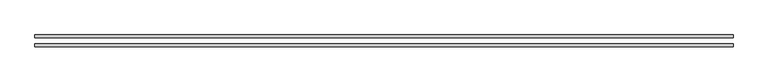
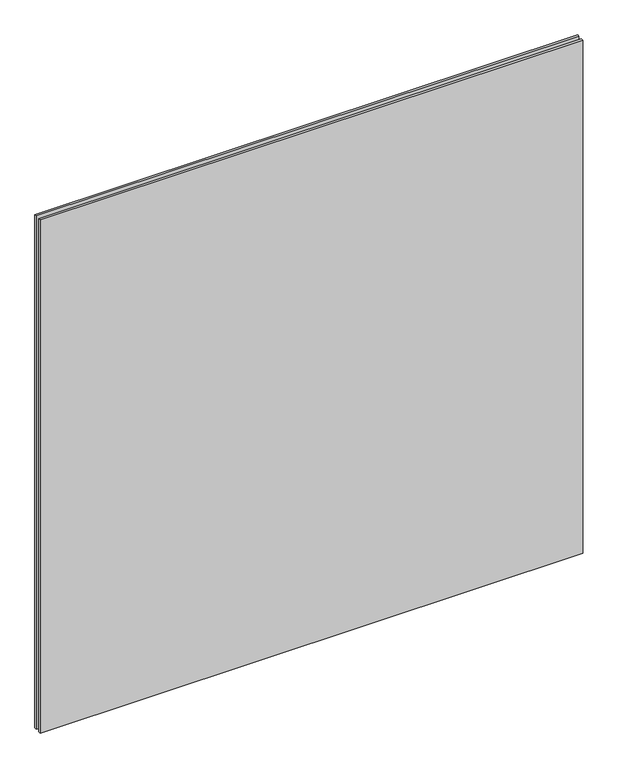
"""IFC4 building model written with IfcOpenShell, lengths in millimetres: plate geometry."""

from ifc_helpers import new_model, si_unit, origin, origin_with_axes, place, context, project, spatial, polyline, outline, extrude, source, transform, mapped, element, save


def plate_8fabd92d(model_context):
    return source(origin(), model_context, "Body", "SweptSolid", [
        extrude(outline(polyline([(762.0, 12.7), (762.0, 6.35), (-762.0, 6.35), (-762.0, 12.7), (762.0, 12.7)])), origin_with_axes(), (0.0, 0.0, 1.0), 1524.0),
        extrude(outline(polyline([(762.0, -6.35), (762.0, -12.7), (-762.0, -12.7), (-762.0, -6.35), (762.0, -6.35)])), origin_with_axes(), (0.0, 0.0, 1.0), 1524.0),
    ])


if __name__ == "__main__":
    model = new_model("IFC4")
    model_context = context("Model", 3, world=origin())
    ifc_project = project(units=[si_unit("LENGTHUNIT", "METRE", prefix="MILLI")], contexts=[model_context])
    site = spatial("IfcSite", under=ifc_project)
    building = spatial("IfcBuilding", under=site)
    placement = place(None, origin())
    plate_shape = plate_8fabd92d(model_context)
    element("IfcPlate", 1, at=placement, inside=building, context=model_context, shape_type="MappedRepresentation", body=[
        mapped(plate_shape, transform((0.0, 0.0, 0.0), x_axis=(1.0, 0.0, 0.0), y_axis=(0.0, 1.0, 0.0), z_axis=(0.0, 0.0, 1.0))),
    ])
    save(model, "model.ifc")
